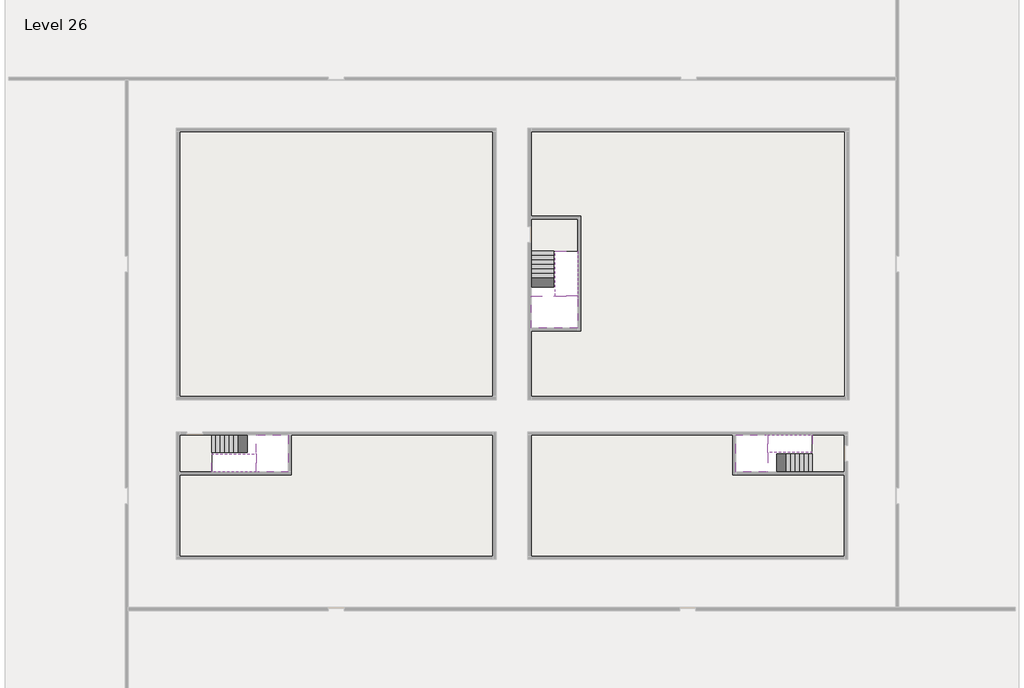
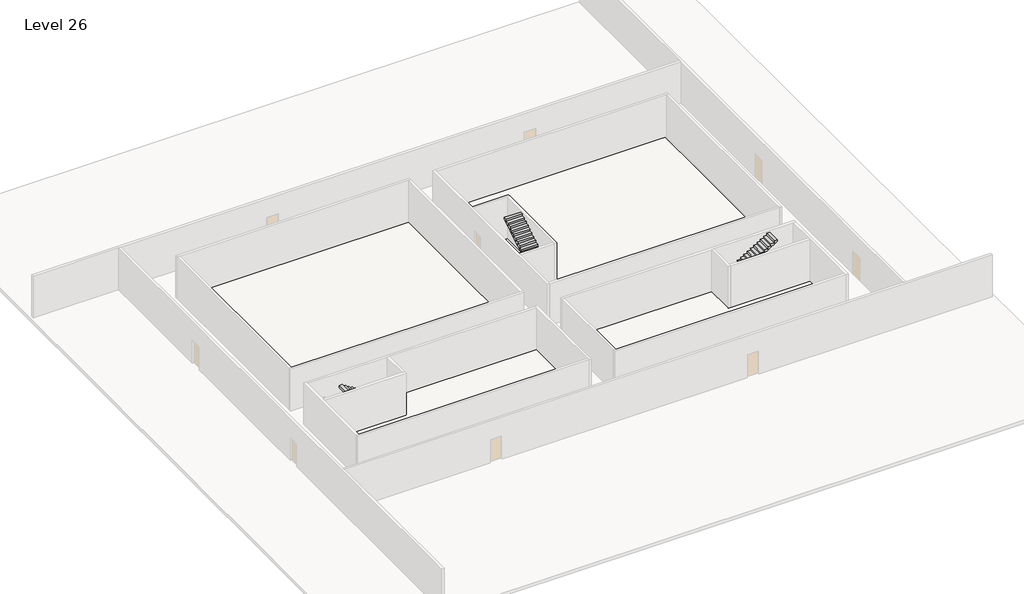
# One storey, part 2 of 2: 6 stair flights, 5 slabs.
"""IFC4 building model written with IfcOpenShell, lengths in millimetres."""

from ifc_helpers import new_model, si_unit, frame, origin, place, context, project, spatial, polyline, outline, extrude, faceted_brep, element, save

model = new_model("IFC4")

# Units and contexts
model_context = context("Model", 3, world=origin())
ifc_project = project(units=[si_unit("LENGTHUNIT", "METRE", prefix="MILLI")], contexts=[model_context])

# Site, building, storey
site = spatial("IfcSite", under=ifc_project)
building = spatial("IfcBuilding", under=site)
storey = spatial("IfcBuildingStorey", under=building, Name="Level 26", Elevation=95000.0)

# Slabs
placement = place(None, origin())
element("IfcSlab", 1, at=placement, inside=storey, context=model_context, shape_type="Brep", body=[
    faceted_brep([(8190.1058784, -42918.09644, 96900.0), (8190.1058784, -44018.09644, 96900.0), (8190.1058784, -44118.09644, 96900.0), (8190.1058784, -45218.09644, 96900.0), (8390.7194421, -45218.09644, 96900.0), (10190.1058784, -45218.09644, 96900.0), (10190.1058784, -42918.09644, 96900.0), (8269.4923146, -42918.09644, 96900.0), (8190.1058784, -42918.09644, 96727.2727273), (8190.1058784, -42918.09644, 96551.0278478), (8190.1058784, -44018.09644, 96551.0278478), (8190.1058784, -44018.09644, 96600.0), (8190.1058784, -44118.09644, 96600.0), (8190.1058784, -44118.09644, 96723.7551205), (8190.1058784, -45218.09644, 96723.7551205), (8390.7194421, -45218.09644, 96600.0), (10190.1058784, -45218.09644, 96600.0), (10190.1058784, -42918.09644, 96600.0), (8269.4923146, -42918.09644, 96600.0), (8390.7194421, -44118.09644, 96600.0), (8269.4923146, -44018.09644, 96600.0)], [[[0, 1, 2, 3, 4, 5, 6, 7]], [[1, 0, 8, 9, 10, 11]], [[2, 1, 11, 12, 13]], [[3, 2, 13, 14]], [[3, 14, 15, 16, 5, 4]], [[6, 5, 16, 17]], [[9, 8, 0, 7, 6, 17, 18]], [[19, 12, 11, 20, 18, 17, 16, 15]], [[12, 19, 13]], [[18, 20, 10, 9]], [[20, 11, 10]], [[19, 15, 14, 13]]]),
])
element("IfcSlab", 2, at=placement, inside=storey, context=model_context, shape_type="Brep", body=[
    faceted_brep([(40190.1058784, -45218.09644, 96900.0), (40190.1058784, -44118.09644, 96900.0), (40190.1058784, -44018.09644, 96900.0), (40190.1058784, -42918.09644, 96900.0), (39989.4923146, -42918.09644, 96900.0), (38190.1058784, -42918.09644, 96900.0), (38190.1058784, -45218.09644, 96900.0), (40110.7194421, -45218.09644, 96900.0), (40190.1058784, -45218.09644, 96727.2727273), (40190.1058784, -45218.09644, 96551.0278478), (40190.1058784, -44118.09644, 96551.0278478), (40190.1058784, -44118.09644, 96600.0), (40190.1058784, -44018.09644, 96600.0), (40190.1058784, -44018.09644, 96723.7551205), (40190.1058784, -42918.09644, 96723.7551205), (39989.4923146, -42918.09644, 96600.0), (38190.1058784, -42918.09644, 96600.0), (38190.1058784, -45218.09644, 96600.0), (40110.7194421, -45218.09644, 96600.0), (39989.4923146, -44018.09644, 96600.0), (40110.7194421, -44118.09644, 96600.0)], [[[0, 1, 2, 3, 4, 5, 6, 7]], [[1, 0, 8, 9, 10, 11]], [[2, 1, 11, 12, 13]], [[3, 2, 13, 14]], [[3, 14, 15, 16, 5, 4]], [[6, 5, 16, 17]], [[9, 8, 0, 7, 6, 17, 18]], [[19, 12, 11, 20, 18, 17, 16, 15]], [[12, 19, 13]], [[18, 20, 10, 9]], [[20, 11, 10]], [[19, 15, 14, 13]]]),
])
element("IfcSlab", 3, at=placement, inside=storey, context=model_context, shape_type="Brep", body=[
    faceted_brep([(26790.1058784, -34218.09644, 96900.0), (25390.1058784, -34218.09644, 96900.0), (25390.1058784, -34297.4828763, 96900.0), (25390.1058784, -36218.09644, 96900.0), (28290.1058784, -36218.09644, 96900.0), (28290.1058784, -34418.7100038, 96900.0), (28290.1058784, -34218.09644, 96900.0), (26890.1058784, -34218.09644, 96900.0), (26790.1058784, -34218.09644, 96600.0), (26790.1058784, -34218.09644, 96551.0278478), (25390.1058784, -34218.09644, 96551.0278478), (25390.1058784, -34218.09644, 96727.2727273), (25390.1058784, -34297.4828763, 96600.0), (25390.1058784, -36218.09644, 96600.0), (28290.1058784, -36218.09644, 96600.0), (28290.1058784, -34418.7100038, 96600.0), (28290.1058784, -34218.09644, 96723.7551205), (26890.1058784, -34218.09644, 96723.7551205), (26890.1058784, -34218.09644, 96600.0), (26890.1058784, -34418.7100038, 96600.0), (26790.1058784, -34297.4828763, 96600.0)], [[[0, 1, 2, 3, 4, 5, 6, 7]], [[1, 0, 8, 9, 10, 11]], [[1, 11, 10, 12, 13, 3, 2]], [[4, 3, 13, 14]], [[4, 14, 15, 16, 6, 5]], [[7, 6, 16, 17]], [[0, 7, 17, 18, 8]], [[18, 19, 15, 14, 13, 12, 20, 8]], [[19, 18, 17]], [[20, 12, 10, 9]], [[8, 20, 9]], [[15, 19, 17, 16]]]),
])
element("IfcSlab", 4, at=placement, inside=storey, context=model_context, shape_type="SweptSolid", body=[
    extrude(outline(polyline([(22990.1058784, -23918.09644), (22990.1058784, -40518.09644), (3390.1058784, -40518.09644), (3390.1058784, -23918.09644), (22990.1058784, -23918.09644)])), frame((0.0, 0.0, 94700.0), z_axis=(0.0, 0.0, 1.0), x_axis=(1.0, 0.0, 0.0)), (0.0, 0.0, 1.0), 300.0),
    extrude(outline(polyline([(44990.1058784, -23918.09644), (44990.1058784, -40518.09644), (25390.1058784, -40518.09644), (25390.1058784, -36418.09644), (28490.1058784, -36418.09644), (28490.1058784, -29218.09644), (25390.1058784, -29218.09644), (25390.1058784, -23918.09644), (44990.1058784, -23918.09644)])), frame((0.0, 0.0, 94700.0), z_axis=(0.0, 0.0, 1.0), x_axis=(1.0, 0.0, 0.0)), (0.0, 0.0, 1.0), 300.0),
    extrude(outline(polyline([(22990.1058784, -42918.09644), (22990.1058784, -50518.09644), (3390.1058784, -50518.09644), (3390.1058784, -45418.09644), (10390.1058784, -45418.09644), (10390.1058784, -42918.09644), (22990.1058784, -42918.09644)])), frame((0.0, 0.0, 94700.0), z_axis=(0.0, 0.0, 1.0), x_axis=(1.0, 0.0, 0.0)), (0.0, 0.0, 1.0), 300.0),
    extrude(outline(polyline([(37990.1058784, -42918.09644), (37990.1058784, -45418.09644), (44990.1058784, -45418.09644), (44990.1058784, -50518.09644), (25390.1058784, -50518.09644), (25390.1058784, -42918.09644), (37990.1058784, -42918.09644)])), frame((0.0, 0.0, 94700.0), z_axis=(0.0, 0.0, 1.0), x_axis=(1.0, 0.0, 0.0)), (0.0, 0.0, 1.0), 300.0),
])
element("IfcSlab", 5, at=placement, inside=storey, context=model_context, shape_type="SweptSolid", body=[
    extrude(outline(polyline([(44990.1058784, -42918.09644), (44990.1058784, -45218.09644), (42990.1058784, -45218.09644), (42990.1058784, -42918.09644), (44990.1058784, -42918.09644)])), frame((0.0, 0.0, 94700.0), z_axis=(0.0, 0.0, 1.0), x_axis=(1.0, 0.0, 0.0)), (0.0, 0.0, 1.0), 300.0),
    extrude(outline(polyline([(5390.1058784, -42918.09644), (5390.1058784, -45218.09644), (3390.1058784, -45218.09644), (3390.1058784, -42918.09644), (5390.1058784, -42918.09644)])), frame((0.0, 0.0, 94700.0), z_axis=(0.0, 0.0, 1.0), x_axis=(1.0, 0.0, 0.0)), (0.0, 0.0, 1.0), 300.0),
    extrude(outline(polyline([(28290.1058784, -29418.09644), (28290.1058784, -31418.09644), (25390.1058784, -31418.09644), (25390.1058784, -29418.09644), (28290.1058784, -29418.09644)])), frame((0.0, 0.0, 94700.0), z_axis=(0.0, 0.0, 1.0), x_axis=(1.0, 0.0, 0.0)), (0.0, 0.0, 1.0), 300.0),
])

# Stair flights
element("IfcStairFlight", 6, at=placement, inside=storey, context=model_context, shape_type="Brep", body=[
    faceted_brep([(5670.1058784, -42918.09644, 95172.7272727), (5390.1058784, -42918.09644, 95172.7272727), (5390.1058784, -44018.09644, 95172.7272727), (5670.1058784, -44018.09644, 95172.7272727), (5670.1058784, -42918.09644, 95000.0), (5390.1058784, -42918.09644, 95000.0), (5390.1058784, -44018.09644, 95000.0), (5670.1058784, -44018.09644, 95000.0), (5950.1058784, -42918.09644, 95345.4545455), (5670.1058784, -42918.09644, 95345.4545455), (5670.1058784, -44018.09644, 95345.4545455), (5950.1058784, -44018.09644, 95345.4545455), (5950.1058784, -42918.09644, 95169.209666), (5675.8081041, -42918.09644, 95000.0), (5675.8081041, -44018.09644, 95000.0), (5950.1058784, -44018.09644, 95169.209666), (6230.1058784, -42918.09644, 95518.1818182), (5950.1058784, -42918.09644, 95518.1818182), (5950.1058784, -44018.09644, 95518.1818182), (6230.1058784, -44018.09644, 95518.1818182), (6230.1058784, -42918.09644, 95341.9369387), (6230.1058784, -44018.09644, 95341.9369387), (6510.1058784, -42918.09644, 95690.9090909), (6230.1058784, -42918.09644, 95690.9090909), (6230.1058784, -44018.09644, 95690.9090909), (6510.1058784, -44018.09644, 95690.9090909), (6510.1058784, -42918.09644, 95514.6642114), (6510.1058784, -44018.09644, 95514.6642114), (6790.1058784, -42918.09644, 95863.6363636), (6510.1058784, -42918.09644, 95863.6363636), (6510.1058784, -44018.09644, 95863.6363636), (6790.1058784, -44018.09644, 95863.6363636), (6790.1058784, -42918.09644, 95687.3914841), (6790.1058784, -44018.09644, 95687.3914841), (7070.1058784, -42918.09644, 96036.3636364), (6790.1058784, -42918.09644, 96036.3636364), (6790.1058784, -44018.09644, 96036.3636364), (7070.1058784, -44018.09644, 96036.3636364), (7070.1058784, -42918.09644, 95860.1187569), (7070.1058784, -44018.09644, 95860.1187569), (7350.1058784, -42918.09644, 96209.0909091), (7070.1058784, -42918.09644, 96209.0909091), (7070.1058784, -44018.09644, 96209.0909091), (7350.1058784, -44018.09644, 96209.0909091), (7350.1058784, -42918.09644, 96032.8460296), (7350.1058784, -44018.09644, 96032.8460296), (7630.1058784, -42918.09644, 96381.8181818), (7350.1058784, -42918.09644, 96381.8181818), (7350.1058784, -44018.09644, 96381.8181818), (7630.1058784, -44018.09644, 96381.8181818), (7630.1058784, -42918.09644, 96205.5733023), (7630.1058784, -44018.09644, 96205.5733023), (7910.1058784, -42918.09644, 96554.5454545), (7630.1058784, -42918.09644, 96554.5454545), (7630.1058784, -44018.09644, 96554.5454545), (7910.1058784, -44018.09644, 96554.5454545), (7910.1058784, -42918.09644, 96378.3005751), (7910.1058784, -44018.09644, 96378.3005751), (8190.1058784, -42918.09644, 96727.2727273), (7910.1058784, -42918.09644, 96727.2727273), (7910.1058784, -44018.09644, 96727.2727273), (8190.1058784, -44018.09644, 96727.2727273), (8190.1058784, -42918.09644, 96551.0278478), (8190.1058784, -44018.09644, 96551.0278478), (8190.1058784, -44018.09644, 96600.0)], [[[0, 1, 2, 3]], [[1, 0, 4, 5]], [[2, 1, 5, 6]], [[3, 2, 6, 7]], [[8, 9, 10, 11]], [[4, 0, 9, 8, 12, 13]], [[0, 3, 10, 9]], [[3, 7, 14, 15, 11, 10]], [[16, 17, 18, 19]], [[17, 16, 20, 12, 8]], [[8, 11, 18, 17]], [[19, 18, 11, 15, 21]], [[22, 23, 24, 25]], [[23, 22, 26, 20, 16]], [[16, 19, 24, 23]], [[25, 24, 19, 21, 27]], [[28, 29, 30, 31]], [[29, 28, 32, 26, 22]], [[22, 25, 30, 29]], [[31, 30, 25, 27, 33]], [[34, 35, 36, 37]], [[35, 34, 38, 32, 28]], [[28, 31, 36, 35]], [[37, 36, 31, 33, 39]], [[40, 41, 42, 43]], [[41, 40, 44, 38, 34]], [[34, 37, 42, 41]], [[43, 42, 37, 39, 45]], [[46, 47, 48, 49]], [[47, 46, 50, 44, 40]], [[40, 43, 48, 47]], [[49, 48, 43, 45, 51]], [[52, 53, 54, 55]], [[53, 52, 56, 50, 46]], [[46, 49, 54, 53]], [[55, 54, 49, 51, 57]], [[58, 59, 60, 61]], [[59, 58, 62, 56, 52]], [[52, 55, 60, 59]], [[61, 60, 55, 57, 63, 64]], [[58, 61, 64, 63, 62]], [[5, 4, 13, 14, 7, 6]], [[14, 13, 12, 20, 26, 32, 38, 44, 50, 56, 62, 63, 57, 51, 45, 39, 33, 27, 21, 15]]]),
])
element("IfcStairFlight", 7, at=placement, inside=storey, context=model_context, shape_type="Brep", body=[
    faceted_brep([(7910.1058784, -45218.09644, 97072.7272727), (8190.1058784, -45218.09644, 97072.7272727), (8190.1058784, -44118.09644, 97072.7272727), (7910.1058784, -44118.09644, 97072.7272727), (7910.1058784, -45218.09644, 96896.4823932), (8190.1058784, -45218.09644, 96723.7551205), (8190.1058784, -45218.09644, 96900.0), (8190.1058784, -44118.09644, 96723.7551205), (7910.1058784, -44118.09644, 96896.4823932), (7630.1058784, -45218.09644, 97245.4545455), (7910.1058784, -45218.09644, 97245.4545455), (7910.1058784, -44118.09644, 97245.4545455), (7630.1058784, -44118.09644, 97245.4545455), (7630.1058784, -45218.09644, 97069.209666), (7630.1058784, -44118.09644, 97069.209666), (7350.1058784, -45218.09644, 97418.1818182), (7630.1058784, -45218.09644, 97418.1818182), (7630.1058784, -44118.09644, 97418.1818182), (7350.1058784, -44118.09644, 97418.1818182), (7350.1058784, -45218.09644, 97241.9369387), (7350.1058784, -44118.09644, 97241.9369387), (7070.1058784, -45218.09644, 97590.9090909), (7350.1058784, -45218.09644, 97590.9090909), (7350.1058784, -44118.09644, 97590.9090909), (7070.1058784, -44118.09644, 97590.9090909), (7070.1058784, -45218.09644, 97414.6642114), (7070.1058784, -44118.09644, 97414.6642114), (6790.1058784, -45218.09644, 97763.6363636), (7070.1058784, -45218.09644, 97763.6363636), (7070.1058784, -44118.09644, 97763.6363636), (6790.1058784, -44118.09644, 97763.6363636), (6790.1058784, -45218.09644, 97587.3914841), (6790.1058784, -44118.09644, 97587.3914841), (6510.1058784, -45218.09644, 97936.3636364), (6790.1058784, -45218.09644, 97936.3636364), (6790.1058784, -44118.09644, 97936.3636364), (6510.1058784, -44118.09644, 97936.3636364), (6510.1058784, -45218.09644, 97760.1187569), (6510.1058784, -44118.09644, 97760.1187569), (6230.1058784, -45218.09644, 98109.0909091), (6510.1058784, -45218.09644, 98109.0909091), (6510.1058784, -44118.09644, 98109.0909091), (6230.1058784, -44118.09644, 98109.0909091), (6230.1058784, -45218.09644, 97932.8460296), (6230.1058784, -44118.09644, 97932.8460296), (5950.1058784, -45218.09644, 98281.8181818), (6230.1058784, -45218.09644, 98281.8181818), (6230.1058784, -44118.09644, 98281.8181818), (5950.1058784, -44118.09644, 98281.8181818), (5950.1058784, -45218.09644, 98105.5733023), (5950.1058784, -44118.09644, 98105.5733023), (5670.1058784, -45218.09644, 98454.5454545), (5950.1058784, -45218.09644, 98454.5454545), (5950.1058784, -44118.09644, 98454.5454545), (5670.1058784, -44118.09644, 98454.5454545), (5670.1058784, -45218.09644, 98278.3005751), (5670.1058784, -44118.09644, 98278.3005751), (5390.1058784, -45218.09644, 98627.2727273), (5670.1058784, -45218.09644, 98627.2727273), (5670.1058784, -44118.09644, 98627.2727273), (5390.1058784, -44118.09644, 98627.2727273), (5390.1058784, -45218.09644, 98451.0278478), (5390.1058784, -44118.09644, 98451.0278478)], [[[0, 1, 2, 3]], [[1, 0, 4, 5, 6]], [[2, 1, 6, 5, 7]], [[3, 2, 7, 8]], [[9, 10, 11, 12]], [[10, 9, 13, 4, 0]], [[11, 10, 0, 3]], [[12, 11, 3, 8, 14]], [[15, 16, 17, 18]], [[16, 15, 19, 13, 9]], [[17, 16, 9, 12]], [[18, 17, 12, 14, 20]], [[21, 22, 23, 24]], [[22, 21, 25, 19, 15]], [[23, 22, 15, 18]], [[24, 23, 18, 20, 26]], [[27, 28, 29, 30]], [[28, 27, 31, 25, 21]], [[29, 28, 21, 24]], [[30, 29, 24, 26, 32]], [[33, 34, 35, 36]], [[34, 33, 37, 31, 27]], [[35, 34, 27, 30]], [[36, 35, 30, 32, 38]], [[39, 40, 41, 42]], [[40, 39, 43, 37, 33]], [[41, 40, 33, 36]], [[42, 41, 36, 38, 44]], [[45, 46, 47, 48]], [[46, 45, 49, 43, 39]], [[47, 46, 39, 42]], [[48, 47, 42, 44, 50]], [[51, 52, 53, 54]], [[52, 51, 55, 49, 45]], [[53, 52, 45, 48]], [[54, 53, 48, 50, 56]], [[57, 58, 59, 60]], [[58, 57, 61, 55, 51]], [[59, 58, 51, 54]], [[60, 59, 54, 56, 62]], [[57, 60, 62, 61]], [[5, 4, 13, 19, 25, 31, 37, 43, 49, 55, 61, 62, 56, 50, 44, 38, 32, 26, 20, 14, 8, 7]]]),
])
element("IfcStairFlight", 8, at=placement, inside=storey, context=model_context, shape_type="Brep", body=[
    faceted_brep([(42710.1058784, -45218.09644, 95172.7272727), (42990.1058784, -45218.09644, 95172.7272727), (42990.1058784, -44118.09644, 95172.7272727), (42710.1058784, -44118.09644, 95172.7272727), (42710.1058784, -45218.09644, 95000.0), (42990.1058784, -45218.09644, 95000.0), (42990.1058784, -44118.09644, 95000.0), (42710.1058784, -44118.09644, 95000.0), (42430.1058784, -45218.09644, 95345.4545455), (42710.1058784, -45218.09644, 95345.4545455), (42710.1058784, -44118.09644, 95345.4545455), (42430.1058784, -44118.09644, 95345.4545455), (42430.1058784, -45218.09644, 95169.209666), (42704.4036527, -45218.09644, 95000.0), (42704.4036527, -44118.09644, 95000.0), (42430.1058784, -44118.09644, 95169.209666), (42150.1058784, -45218.09644, 95518.1818182), (42430.1058784, -45218.09644, 95518.1818182), (42430.1058784, -44118.09644, 95518.1818182), (42150.1058784, -44118.09644, 95518.1818182), (42150.1058784, -45218.09644, 95341.9369387), (42150.1058784, -44118.09644, 95341.9369387), (41870.1058784, -45218.09644, 95690.9090909), (42150.1058784, -45218.09644, 95690.9090909), (42150.1058784, -44118.09644, 95690.9090909), (41870.1058784, -44118.09644, 95690.9090909), (41870.1058784, -45218.09644, 95514.6642114), (41870.1058784, -44118.09644, 95514.6642114), (41590.1058784, -45218.09644, 95863.6363636), (41870.1058784, -45218.09644, 95863.6363636), (41870.1058784, -44118.09644, 95863.6363636), (41590.1058784, -44118.09644, 95863.6363636), (41590.1058784, -45218.09644, 95687.3914841), (41590.1058784, -44118.09644, 95687.3914841), (41310.1058784, -45218.09644, 96036.3636364), (41590.1058784, -45218.09644, 96036.3636364), (41590.1058784, -44118.09644, 96036.3636364), (41310.1058784, -44118.09644, 96036.3636364), (41310.1058784, -45218.09644, 95860.1187569), (41310.1058784, -44118.09644, 95860.1187569), (41030.1058784, -45218.09644, 96209.0909091), (41310.1058784, -45218.09644, 96209.0909091), (41310.1058784, -44118.09644, 96209.0909091), (41030.1058784, -44118.09644, 96209.0909091), (41030.1058784, -45218.09644, 96032.8460296), (41030.1058784, -44118.09644, 96032.8460296), (40750.1058784, -45218.09644, 96381.8181818), (41030.1058784, -45218.09644, 96381.8181818), (41030.1058784, -44118.09644, 96381.8181818), (40750.1058784, -44118.09644, 96381.8181818), (40750.1058784, -45218.09644, 96205.5733023), (40750.1058784, -44118.09644, 96205.5733023), (40470.1058784, -45218.09644, 96554.5454545), (40750.1058784, -45218.09644, 96554.5454545), (40750.1058784, -44118.09644, 96554.5454545), (40470.1058784, -44118.09644, 96554.5454545), (40470.1058784, -45218.09644, 96378.3005751), (40470.1058784, -44118.09644, 96378.3005751), (40190.1058784, -45218.09644, 96727.2727273), (40470.1058784, -45218.09644, 96727.2727273), (40470.1058784, -44118.09644, 96727.2727273), (40190.1058784, -44118.09644, 96727.2727273), (40190.1058784, -45218.09644, 96551.0278478), (40190.1058784, -44118.09644, 96551.0278478), (40190.1058784, -44118.09644, 96600.0)], [[[0, 1, 2, 3]], [[1, 0, 4, 5]], [[2, 1, 5, 6]], [[3, 2, 6, 7]], [[8, 9, 10, 11]], [[4, 0, 9, 8, 12, 13]], [[0, 3, 10, 9]], [[3, 7, 14, 15, 11, 10]], [[16, 17, 18, 19]], [[17, 16, 20, 12, 8]], [[8, 11, 18, 17]], [[19, 18, 11, 15, 21]], [[22, 23, 24, 25]], [[23, 22, 26, 20, 16]], [[16, 19, 24, 23]], [[25, 24, 19, 21, 27]], [[28, 29, 30, 31]], [[29, 28, 32, 26, 22]], [[22, 25, 30, 29]], [[31, 30, 25, 27, 33]], [[34, 35, 36, 37]], [[35, 34, 38, 32, 28]], [[28, 31, 36, 35]], [[37, 36, 31, 33, 39]], [[40, 41, 42, 43]], [[41, 40, 44, 38, 34]], [[34, 37, 42, 41]], [[43, 42, 37, 39, 45]], [[46, 47, 48, 49]], [[47, 46, 50, 44, 40]], [[40, 43, 48, 47]], [[49, 48, 43, 45, 51]], [[52, 53, 54, 55]], [[53, 52, 56, 50, 46]], [[46, 49, 54, 53]], [[55, 54, 49, 51, 57]], [[58, 59, 60, 61]], [[59, 58, 62, 56, 52]], [[52, 55, 60, 59]], [[61, 60, 55, 57, 63, 64]], [[58, 61, 64, 63, 62]], [[5, 4, 13, 14, 7, 6]], [[14, 13, 12, 20, 26, 32, 38, 44, 50, 56, 62, 63, 57, 51, 45, 39, 33, 27, 21, 15]]]),
])
element("IfcStairFlight", 9, at=placement, inside=storey, context=model_context, shape_type="Brep", body=[
    faceted_brep([(40470.1058784, -42918.09644, 97072.7272727), (40190.1058784, -42918.09644, 97072.7272727), (40190.1058784, -44018.09644, 97072.7272727), (40470.1058784, -44018.09644, 97072.7272727), (40470.1058784, -42918.09644, 96896.4823932), (40190.1058784, -42918.09644, 96723.7551205), (40190.1058784, -42918.09644, 96900.0), (40190.1058784, -44018.09644, 96723.7551205), (40470.1058784, -44018.09644, 96896.4823932), (40750.1058784, -42918.09644, 97245.4545455), (40470.1058784, -42918.09644, 97245.4545455), (40470.1058784, -44018.09644, 97245.4545455), (40750.1058784, -44018.09644, 97245.4545455), (40750.1058784, -42918.09644, 97069.209666), (40750.1058784, -44018.09644, 97069.209666), (41030.1058784, -42918.09644, 97418.1818182), (40750.1058784, -42918.09644, 97418.1818182), (40750.1058784, -44018.09644, 97418.1818182), (41030.1058784, -44018.09644, 97418.1818182), (41030.1058784, -42918.09644, 97241.9369387), (41030.1058784, -44018.09644, 97241.9369387), (41310.1058784, -42918.09644, 97590.9090909), (41030.1058784, -42918.09644, 97590.9090909), (41030.1058784, -44018.09644, 97590.9090909), (41310.1058784, -44018.09644, 97590.9090909), (41310.1058784, -42918.09644, 97414.6642114), (41310.1058784, -44018.09644, 97414.6642114), (41590.1058784, -42918.09644, 97763.6363636), (41310.1058784, -42918.09644, 97763.6363636), (41310.1058784, -44018.09644, 97763.6363636), (41590.1058784, -44018.09644, 97763.6363636), (41590.1058784, -42918.09644, 97587.3914841), (41590.1058784, -44018.09644, 97587.3914841), (41870.1058784, -42918.09644, 97936.3636364), (41590.1058784, -42918.09644, 97936.3636364), (41590.1058784, -44018.09644, 97936.3636364), (41870.1058784, -44018.09644, 97936.3636364), (41870.1058784, -42918.09644, 97760.1187569), (41870.1058784, -44018.09644, 97760.1187569), (42150.1058784, -42918.09644, 98109.0909091), (41870.1058784, -42918.09644, 98109.0909091), (41870.1058784, -44018.09644, 98109.0909091), (42150.1058784, -44018.09644, 98109.0909091), (42150.1058784, -42918.09644, 97932.8460296), (42150.1058784, -44018.09644, 97932.8460296), (42430.1058784, -42918.09644, 98281.8181818), (42150.1058784, -42918.09644, 98281.8181818), (42150.1058784, -44018.09644, 98281.8181818), (42430.1058784, -44018.09644, 98281.8181818), (42430.1058784, -42918.09644, 98105.5733023), (42430.1058784, -44018.09644, 98105.5733023), (42710.1058784, -42918.09644, 98454.5454545), (42430.1058784, -42918.09644, 98454.5454545), (42430.1058784, -44018.09644, 98454.5454545), (42710.1058784, -44018.09644, 98454.5454545), (42710.1058784, -42918.09644, 98278.3005751), (42710.1058784, -44018.09644, 98278.3005751), (42990.1058784, -42918.09644, 98627.2727273), (42710.1058784, -42918.09644, 98627.2727273), (42710.1058784, -44018.09644, 98627.2727273), (42990.1058784, -44018.09644, 98627.2727273), (42990.1058784, -42918.09644, 98451.0278478), (42990.1058784, -44018.09644, 98451.0278478)], [[[0, 1, 2, 3]], [[1, 0, 4, 5, 6]], [[2, 1, 6, 5, 7]], [[3, 2, 7, 8]], [[9, 10, 11, 12]], [[10, 9, 13, 4, 0]], [[11, 10, 0, 3]], [[12, 11, 3, 8, 14]], [[15, 16, 17, 18]], [[16, 15, 19, 13, 9]], [[17, 16, 9, 12]], [[18, 17, 12, 14, 20]], [[21, 22, 23, 24]], [[22, 21, 25, 19, 15]], [[23, 22, 15, 18]], [[24, 23, 18, 20, 26]], [[27, 28, 29, 30]], [[28, 27, 31, 25, 21]], [[29, 28, 21, 24]], [[30, 29, 24, 26, 32]], [[33, 34, 35, 36]], [[34, 33, 37, 31, 27]], [[35, 34, 27, 30]], [[36, 35, 30, 32, 38]], [[39, 40, 41, 42]], [[40, 39, 43, 37, 33]], [[41, 40, 33, 36]], [[42, 41, 36, 38, 44]], [[45, 46, 47, 48]], [[46, 45, 49, 43, 39]], [[47, 46, 39, 42]], [[48, 47, 42, 44, 50]], [[51, 52, 53, 54]], [[52, 51, 55, 49, 45]], [[53, 52, 45, 48]], [[54, 53, 48, 50, 56]], [[57, 58, 59, 60]], [[58, 57, 61, 55, 51]], [[59, 58, 51, 54]], [[60, 59, 54, 56, 62]], [[57, 60, 62, 61]], [[5, 4, 13, 19, 25, 31, 37, 43, 49, 55, 61, 62, 56, 50, 44, 38, 32, 26, 20, 14, 8, 7]]]),
])
element("IfcStairFlight", 10, at=placement, inside=storey, context=model_context, shape_type="Brep", body=[
    faceted_brep([(26790.1058784, -31698.09644, 95172.7272727), (26790.1058784, -31418.09644, 95172.7272727), (25390.1058784, -31418.09644, 95172.7272727), (25390.1058784, -31698.09644, 95172.7272727), (26790.1058784, -31698.09644, 95000.0), (26790.1058784, -31418.09644, 95000.0), (25390.1058784, -31418.09644, 95000.0), (25390.1058784, -31698.09644, 95000.0), (26790.1058784, -31978.09644, 95345.4545455), (26790.1058784, -31698.09644, 95345.4545455), (25390.1058784, -31698.09644, 95345.4545455), (25390.1058784, -31978.09644, 95345.4545455), (26790.1058784, -31978.09644, 95169.209666), (26790.1058784, -31703.7986657, 95000.0), (25390.1058784, -31703.7986657, 95000.0), (25390.1058784, -31978.09644, 95169.209666), (26790.1058784, -32258.09644, 95518.1818182), (26790.1058784, -31978.09644, 95518.1818182), (25390.1058784, -31978.09644, 95518.1818182), (25390.1058784, -32258.09644, 95518.1818182), (26790.1058784, -32258.09644, 95341.9369387), (25390.1058784, -32258.09644, 95341.9369387), (26790.1058784, -32538.09644, 95690.9090909), (26790.1058784, -32258.09644, 95690.9090909), (25390.1058784, -32258.09644, 95690.9090909), (25390.1058784, -32538.09644, 95690.9090909), (26790.1058784, -32538.09644, 95514.6642114), (25390.1058784, -32538.09644, 95514.6642114), (26790.1058784, -32818.09644, 95863.6363636), (26790.1058784, -32538.09644, 95863.6363636), (25390.1058784, -32538.09644, 95863.6363636), (25390.1058784, -32818.09644, 95863.6363636), (26790.1058784, -32818.09644, 95687.3914841), (25390.1058784, -32818.09644, 95687.3914841), (26790.1058784, -33098.09644, 96036.3636364), (26790.1058784, -32818.09644, 96036.3636364), (25390.1058784, -32818.09644, 96036.3636364), (25390.1058784, -33098.09644, 96036.3636364), (26790.1058784, -33098.09644, 95860.1187569), (25390.1058784, -33098.09644, 95860.1187569), (26790.1058784, -33378.09644, 96209.0909091), (26790.1058784, -33098.09644, 96209.0909091), (25390.1058784, -33098.09644, 96209.0909091), (25390.1058784, -33378.09644, 96209.0909091), (26790.1058784, -33378.09644, 96032.8460296), (25390.1058784, -33378.09644, 96032.8460296), (26790.1058784, -33658.09644, 96381.8181818), (26790.1058784, -33378.09644, 96381.8181818), (25390.1058784, -33378.09644, 96381.8181818), (25390.1058784, -33658.09644, 96381.8181818), (26790.1058784, -33658.09644, 96205.5733023), (25390.1058784, -33658.09644, 96205.5733023), (26790.1058784, -33938.09644, 96554.5454545), (26790.1058784, -33658.09644, 96554.5454545), (25390.1058784, -33658.09644, 96554.5454545), (25390.1058784, -33938.09644, 96554.5454545), (26790.1058784, -33938.09644, 96378.3005751), (25390.1058784, -33938.09644, 96378.3005751), (26790.1058784, -34218.09644, 96727.2727273), (26790.1058784, -33938.09644, 96727.2727273), (25390.1058784, -33938.09644, 96727.2727273), (25390.1058784, -34218.09644, 96727.2727273), (26790.1058784, -34218.09644, 96600.0), (26790.1058784, -34218.09644, 96551.0278478), (25390.1058784, -34218.09644, 96551.0278478)], [[[0, 1, 2, 3]], [[1, 0, 4, 5]], [[2, 1, 5, 6]], [[3, 2, 6, 7]], [[8, 9, 10, 11]], [[4, 0, 9, 8, 12, 13]], [[0, 3, 10, 9]], [[3, 7, 14, 15, 11, 10]], [[16, 17, 18, 19]], [[17, 16, 20, 12, 8]], [[8, 11, 18, 17]], [[19, 18, 11, 15, 21]], [[22, 23, 24, 25]], [[23, 22, 26, 20, 16]], [[16, 19, 24, 23]], [[25, 24, 19, 21, 27]], [[28, 29, 30, 31]], [[29, 28, 32, 26, 22]], [[22, 25, 30, 29]], [[31, 30, 25, 27, 33]], [[34, 35, 36, 37]], [[35, 34, 38, 32, 28]], [[28, 31, 36, 35]], [[37, 36, 31, 33, 39]], [[40, 41, 42, 43]], [[41, 40, 44, 38, 34]], [[34, 37, 42, 41]], [[43, 42, 37, 39, 45]], [[46, 47, 48, 49]], [[47, 46, 50, 44, 40]], [[40, 43, 48, 47]], [[49, 48, 43, 45, 51]], [[52, 53, 54, 55]], [[53, 52, 56, 50, 46]], [[46, 49, 54, 53]], [[55, 54, 49, 51, 57]], [[58, 59, 60, 61]], [[59, 58, 62, 63, 56, 52]], [[52, 55, 60, 59]], [[61, 60, 55, 57, 64]], [[58, 61, 64, 63, 62]], [[5, 4, 13, 14, 7, 6]], [[14, 13, 12, 20, 26, 32, 38, 44, 50, 56, 63, 64, 57, 51, 45, 39, 33, 27, 21, 15]]]),
])
element("IfcStairFlight", 11, at=placement, inside=storey, context=model_context, shape_type="Brep", body=[
    faceted_brep([(26890.1058784, -33938.09644, 97072.7272727), (26890.1058784, -34218.09644, 97072.7272727), (28290.1058784, -34218.09644, 97072.7272727), (28290.1058784, -33938.09644, 97072.7272727), (26890.1058784, -33938.09644, 96896.4823932), (26890.1058784, -34218.09644, 96723.7551205), (28290.1058784, -34218.09644, 96723.7551205), (28290.1058784, -34218.09644, 96900.0), (28290.1058784, -33938.09644, 96896.4823932), (26890.1058784, -33658.09644, 97245.4545455), (26890.1058784, -33938.09644, 97245.4545455), (28290.1058784, -33938.09644, 97245.4545455), (28290.1058784, -33658.09644, 97245.4545455), (26890.1058784, -33658.09644, 97069.209666), (28290.1058784, -33658.09644, 97069.209666), (26890.1058784, -33378.09644, 97418.1818182), (26890.1058784, -33658.09644, 97418.1818182), (28290.1058784, -33658.09644, 97418.1818182), (28290.1058784, -33378.09644, 97418.1818182), (26890.1058784, -33378.09644, 97241.9369387), (28290.1058784, -33378.09644, 97241.9369387), (26890.1058784, -33098.09644, 97590.9090909), (26890.1058784, -33378.09644, 97590.9090909), (28290.1058784, -33378.09644, 97590.9090909), (28290.1058784, -33098.09644, 97590.9090909), (26890.1058784, -33098.09644, 97414.6642114), (28290.1058784, -33098.09644, 97414.6642114), (26890.1058784, -32818.09644, 97763.6363636), (26890.1058784, -33098.09644, 97763.6363636), (28290.1058784, -33098.09644, 97763.6363636), (28290.1058784, -32818.09644, 97763.6363636), (26890.1058784, -32818.09644, 97587.3914841), (28290.1058784, -32818.09644, 97587.3914841), (26890.1058784, -32538.09644, 97936.3636364), (26890.1058784, -32818.09644, 97936.3636364), (28290.1058784, -32818.09644, 97936.3636364), (28290.1058784, -32538.09644, 97936.3636364), (26890.1058784, -32538.09644, 97760.1187569), (28290.1058784, -32538.09644, 97760.1187569), (26890.1058784, -32258.09644, 98109.0909091), (26890.1058784, -32538.09644, 98109.0909091), (28290.1058784, -32538.09644, 98109.0909091), (28290.1058784, -32258.09644, 98109.0909091), (26890.1058784, -32258.09644, 97932.8460296), (28290.1058784, -32258.09644, 97932.8460296), (26890.1058784, -31978.09644, 98281.8181818), (26890.1058784, -32258.09644, 98281.8181818), (28290.1058784, -32258.09644, 98281.8181818), (28290.1058784, -31978.09644, 98281.8181818), (26890.1058784, -31978.09644, 98105.5733023), (28290.1058784, -31978.09644, 98105.5733023), (26890.1058784, -31698.09644, 98454.5454545), (26890.1058784, -31978.09644, 98454.5454545), (28290.1058784, -31978.09644, 98454.5454545), (28290.1058784, -31698.09644, 98454.5454545), (26890.1058784, -31698.09644, 98278.3005751), (28290.1058784, -31698.09644, 98278.3005751), (26890.1058784, -31418.09644, 98627.2727273), (26890.1058784, -31698.09644, 98627.2727273), (28290.1058784, -31698.09644, 98627.2727273), (28290.1058784, -31418.09644, 98627.2727273), (26890.1058784, -31418.09644, 98451.0278478), (28290.1058784, -31418.09644, 98451.0278478)], [[[0, 1, 2, 3]], [[1, 0, 4, 5]], [[2, 1, 5, 6, 7]], [[3, 2, 7, 6, 8]], [[9, 10, 11, 12]], [[10, 9, 13, 4, 0]], [[11, 10, 0, 3]], [[12, 11, 3, 8, 14]], [[15, 16, 17, 18]], [[16, 15, 19, 13, 9]], [[17, 16, 9, 12]], [[18, 17, 12, 14, 20]], [[21, 22, 23, 24]], [[22, 21, 25, 19, 15]], [[23, 22, 15, 18]], [[24, 23, 18, 20, 26]], [[27, 28, 29, 30]], [[28, 27, 31, 25, 21]], [[29, 28, 21, 24]], [[30, 29, 24, 26, 32]], [[33, 34, 35, 36]], [[34, 33, 37, 31, 27]], [[35, 34, 27, 30]], [[36, 35, 30, 32, 38]], [[39, 40, 41, 42]], [[40, 39, 43, 37, 33]], [[41, 40, 33, 36]], [[42, 41, 36, 38, 44]], [[45, 46, 47, 48]], [[46, 45, 49, 43, 39]], [[47, 46, 39, 42]], [[48, 47, 42, 44, 50]], [[51, 52, 53, 54]], [[52, 51, 55, 49, 45]], [[53, 52, 45, 48]], [[54, 53, 48, 50, 56]], [[57, 58, 59, 60]], [[58, 57, 61, 55, 51]], [[59, 58, 51, 54]], [[60, 59, 54, 56, 62]], [[57, 60, 62, 61]], [[5, 4, 13, 19, 25, 31, 37, 43, 49, 55, 61, 62, 56, 50, 44, 38, 32, 26, 20, 14, 8, 6]]]),
])

save(model, "model.ifc")
